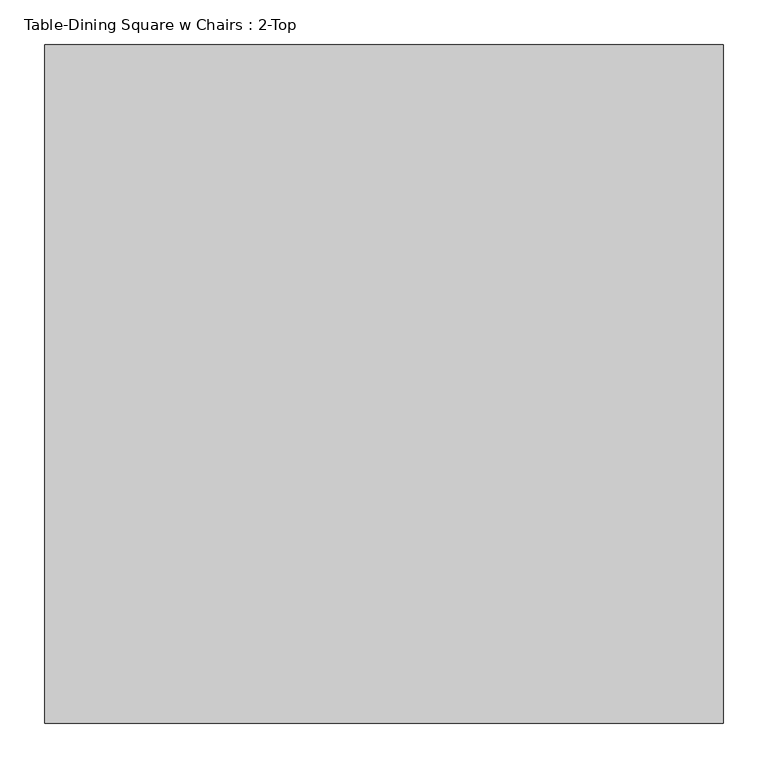
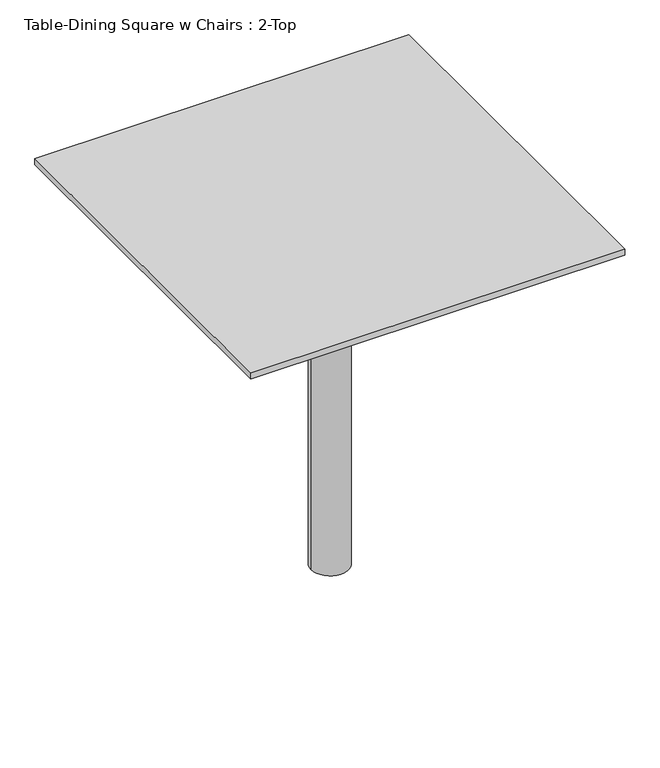
"""IFC4 building model written with IfcOpenShell, lengths in millimetres: furniture geometry, Table-Dining Square w Chairs : 2-Top."""

from ifc_helpers import new_model, si_unit, point, frame, frame_2d, origin, origin_with_axes, place, context, project, spatial, polyline, circle_curve, trimmed, segment, composite_curve, outline, extrude, source, transform, mapped, element, save


def table_dining_square_w_chairs_2_top_80d8b269(model_context):
    return source(origin(), model_context, "Body", "SweptSolid", [
        extrude(outline(composite_curve([segment(trimmed(circle_curve(frame_2d((103.6819672, -184.8786885)), 38.1), [point((65.5819672, -184.8786885))], [point((141.7819672, -184.8786885))], False, "CARTESIAN"), True, "CONTINUOUS"), segment(trimmed(circle_curve(frame_2d((103.6819672, -184.8786885)), 38.1), [point((141.7819672, -184.8786885))], [point((65.5819672, -184.8786885))], False, "CARTESIAN"), True, "CONTINUOUS")], self_intersect=False)), origin_with_axes(), (0.0, 0.0, 1.0), 698.5),
        extrude(outline(polyline([(484.681637, 196.1213115), (484.681637, -565.8786885), (-277.318363, -565.8786885), (-277.318363, 196.1213115), (484.681637, 196.1213115)])), frame((0.0, 0.0, 762.0), z_axis=(0.0, 0.0, 1.0), x_axis=(1.0, 0.0, 0.0)), (0.0, 0.0, 1.0), 12.7),
    ])


if __name__ == "__main__":
    model = new_model("IFC4")
    model_context = context("Model", 3, world=origin())
    ifc_project = project(units=[si_unit("LENGTHUNIT", "METRE", prefix="MILLI")], contexts=[model_context])
    site = spatial("IfcSite", under=ifc_project)
    building = spatial("IfcBuilding", under=site)
    placement = place(None, origin())
    table_dining_square_w_chairs_2_top_shape = table_dining_square_w_chairs_2_top_80d8b269(model_context)
    element("IfcFurniture", 1, ObjectType="Table-Dining Square w Chairs : 2-Top", at=placement, inside=building, context=model_context, shape_type="MappedRepresentation", body=[
        mapped(table_dining_square_w_chairs_2_top_shape, transform((0.0, 0.0, 0.0), x_axis=(1.0, 0.0, 0.0), y_axis=(0.0, 1.0, 0.0), z_axis=(0.0, 0.0, 1.0))),
    ])
    save(model, "model.ifc")
